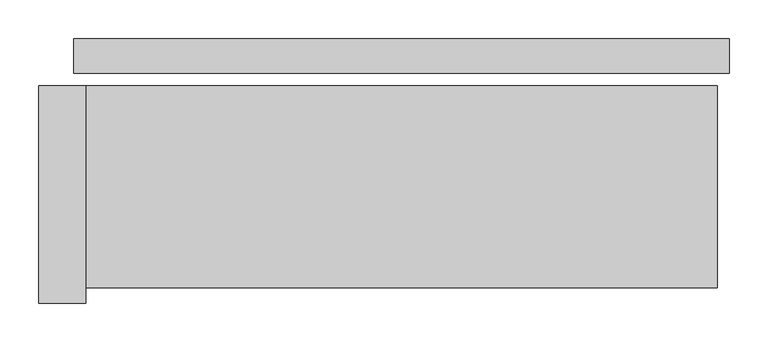
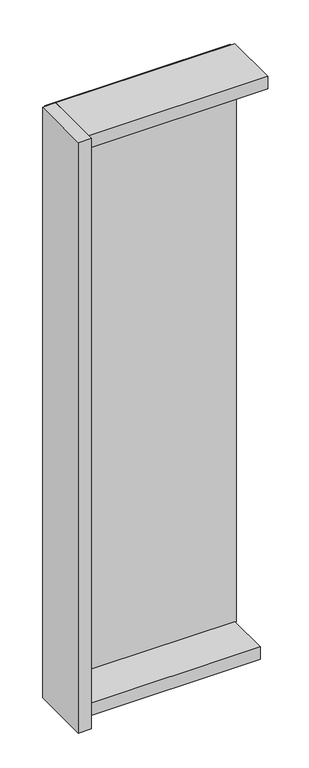
"""IFC4 building model written with IfcOpenShell, lengths in millimetres: plate geometry."""

from ifc_helpers import new_model, si_unit, frame, origin, origin_with_axes, place, context, project, spatial, polyline, outline, extrude, source, transform, mapped, element, save


def plate_63ed76e8(model_context):
    return source(origin(), model_context, "Body", "SweptSolid", [
        extrude(outline(polyline([(421.0, 0.0), (421.0, -44.0), (-421.0, -44.0), (-421.0, 0.0), (421.0, 0.0)])), origin_with_axes(), (0.0, 0.0, 1.0), 2742.0),
        extrude(outline(polyline([(-406.0, -60.0), (-406.0, -340.0), (-466.0, -340.0), (-466.0, -60.0), (-406.0, -60.0)])), frame((0.0, 0.0, -45.0), z_axis=(0.0, 0.0, 1.0), x_axis=(1.0, 0.0, 0.0)), (0.0, 0.0, 1.0), 2832.0),
        extrude(outline(polyline([(406.0, -260.0), (-406.0, -260.0), (-406.0, -60.0), (406.0, -60.0), (406.0, -260.0)])), frame((0.0, 0.0, -45.0), z_axis=(0.0, 0.0, 1.0), x_axis=(1.0, 0.0, 0.0)), (0.0, 0.0, 1.0), 60.0),
        extrude(outline(polyline([(406.0, -60.0), (406.0, -320.0), (-406.0, -320.0), (-406.0, -60.0), (406.0, -60.0)])), frame((0.0, 0.0, 2727.0), z_axis=(0.0, 0.0, 1.0), x_axis=(1.0, 0.0, 0.0)), (0.0, 0.0, 1.0), 60.0),
    ])


if __name__ == "__main__":
    model = new_model("IFC4")
    model_context = context("Model", 3, world=origin())
    ifc_project = project(units=[si_unit("LENGTHUNIT", "METRE", prefix="MILLI")], contexts=[model_context])
    site = spatial("IfcSite", under=ifc_project)
    building = spatial("IfcBuilding", under=site)
    placement = place(None, origin())
    plate_shape = plate_63ed76e8(model_context)
    element("IfcPlate", 1, at=placement, inside=building, context=model_context, shape_type="MappedRepresentation", body=[
        mapped(plate_shape, transform((0.0, 0.0, 0.0), x_axis=(1.0, 0.0, 0.0), y_axis=(0.0, 1.0, 0.0), z_axis=(0.0, 0.0, 1.0))),
    ])
    save(model, "model.ifc")
